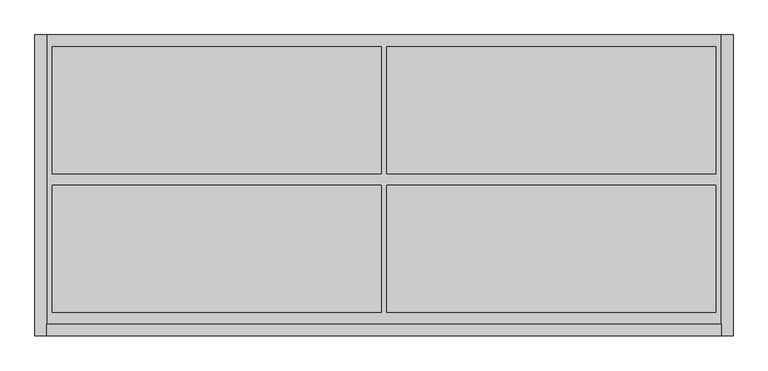
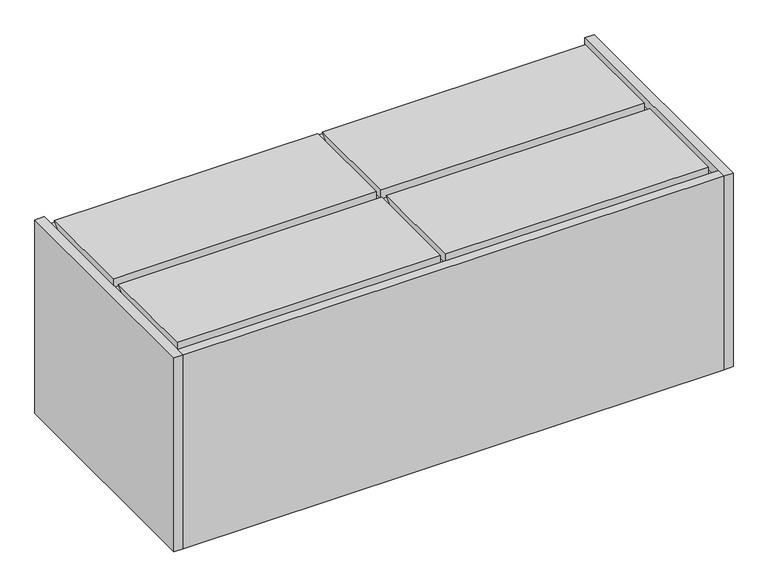
"""IFC4 building model written with IfcOpenShell, lengths in millimetres: furniture geometry."""

from ifc_helpers import new_model, si_unit, frame, origin, origin_with_axes, place, context, project, spatial, polyline, outline, extrude, source, transform, mapped, element, save


def furniture_682f5fb1(model_context):
    return source(origin(), model_context, "Body", "SweptSolid", [
        extrude(outline(polyline([(-477.0, 440.0), (-258.5, 440.0), (-278.5, 420.0), (-477.0, 420.0), (-477.0, 440.0)])), frame((605.0, 0.0, 0.0), z_axis=(1.0, 0.0, 0.0), x_axis=(0.0, 1.0, 0.0)), (0.0, 0.0, 1.0), 565.0),
        extrude(outline(polyline([(-238.5, 440.0), (-20.0, 440.0), (-40.0, 420.0), (-238.5, 420.0), (-238.5, 440.0)])), frame((605.0, 0.0, 0.0), z_axis=(1.0, 0.0, 0.0), x_axis=(0.0, 1.0, 0.0)), (0.0, 0.0, 1.0), 565.0),
        extrude(outline(polyline([(-477.0, 440.0), (-258.5, 440.0), (-278.5, 420.0), (-477.0, 420.0), (-477.0, 440.0)])), frame((30.0, 0.0, 0.0), z_axis=(1.0, 0.0, 0.0), x_axis=(0.0, 1.0, 0.0)), (0.0, 0.0, 1.0), 565.0),
        extrude(outline(polyline([(-238.5, 440.0), (-20.0, 440.0), (-40.0, 420.0), (-238.5, 420.0), (-238.5, 440.0)])), frame((30.0, 0.0, 0.0), z_axis=(1.0, 0.0, 0.0), x_axis=(0.0, 1.0, 0.0)), (0.0, 0.0, 1.0), 565.0),
        extrude(outline(polyline([(20.0, 0.0), (1180.0, 0.0), (1180.0, -497.0), (20.0, -497.0), (20.0, 0.0)])), frame((0.0, 0.0, 400.0), z_axis=(0.0, 0.0, 1.0), x_axis=(1.0, 0.0, 0.0)), (0.0, 0.0, 1.0), 20.0),
        extrude(outline(polyline([(20.0, -497.0), (1180.0, -497.0), (1180.0, -517.0), (20.0, -517.0), (20.0, -497.0)])), origin_with_axes(), (0.0, 0.0, 1.0), 440.0),
        extrude(outline(polyline([(1180.0, 0.0), (1200.0, 0.0), (1200.0, -517.0), (1180.0, -517.0), (1180.0, 0.0)])), origin_with_axes(), (0.0, 0.0, 1.0), 440.0),
        extrude(outline(polyline([(0.0, 0.0), (20.0, 0.0), (20.0, -517.0), (0.0, -517.0), (0.0, 0.0)])), origin_with_axes(), (0.0, 0.0, 1.0), 440.0),
    ])


if __name__ == "__main__":
    model = new_model("IFC4")
    model_context = context("Model", 3, world=origin())
    ifc_project = project(units=[si_unit("LENGTHUNIT", "METRE", prefix="MILLI")], contexts=[model_context])
    site = spatial("IfcSite", under=ifc_project)
    building = spatial("IfcBuilding", under=site)
    placement = place(None, origin())
    furniture_shape = furniture_682f5fb1(model_context)
    element("IfcFurniture", 1, at=placement, inside=building, context=model_context, shape_type="MappedRepresentation", body=[
        mapped(furniture_shape, transform((0.0, 0.0, 0.0), x_axis=(1.0, 0.0, 0.0), y_axis=(0.0, 1.0, 0.0), z_axis=(0.0, 0.0, 1.0))),
    ])
    save(model, "model.ifc")
